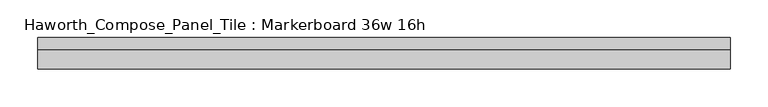
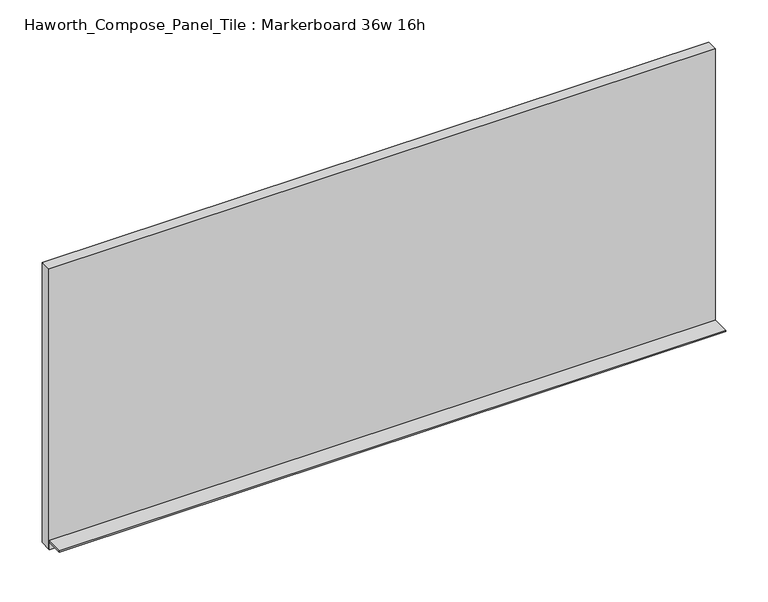
"""IFC4 building model written with IfcOpenShell, lengths in millimetres: furniture geometry, Haworth_Compose_Panel_Tile : Markerboard 36w 16h."""

import ifcopenshell
import ifcopenshell.guid

model = None  # the IFC model being written
_history = None  # IfcOwnerHistory: only IFC2X3 demands one
_inside = {}  # id of a spatial element -> (the spatial element, [elements in it])
_under = {}  # id of a project, library or spatial element -> (it, [spatial elements below it])
_declared = {}  # id of a project -> (the project, [libraries it declares])
_typed = {}  # id of a type object -> (the type object, [elements of that type])
_made_of = {}  # id of a material, layer set ... -> (it, [elements and type objects made of it])


def new_model(schema):
    """Start an empty IFC model of exactly this schema.

    Asked for "IFC4X3", IfcOpenShell would pick the latest addendum, in which some entities
    have other attributes; the version numbers below select the first issue.
    IFC2X3 requires an IfcOwnerHistory on every rooted entity: one is made here for all.
    """
    global model, _history
    if schema == "IFC4X3":
        model = ifcopenshell.file(schema_version=(4, 3, 0, 0))
    else:
        model = ifcopenshell.file(schema=schema)
    _inside.clear()
    _under.clear()
    _declared.clear()
    _typed.clear()
    _made_of.clear()
    _history = None
    if model.schema == "IFC2X3":
        org = make("IfcOrganization", Name="unknown")
        user = make(
            "IfcPersonAndOrganization",
            ThePerson=make("IfcPerson", FamilyName="unknown"),
            TheOrganization=org,
        )
        app = make(
            "IfcApplication",
            ApplicationDeveloper=org,
            Version="unknown",
            ApplicationFullName="unknown",
            ApplicationIdentifier="unknown",
        )
        _history = make(
            "IfcOwnerHistory",
            OwningUser=user,
            OwningApplication=app,
            ChangeAction="ADDED",
            CreationDate=0,
        )
    return model


def make(cls, **values):
    """One entity of the class cls with the attributes given. An attribute that is None is left unset."""
    return model.create_entity(
        cls, **{name: value for name, value in values.items() if value is not None}
    )


def rooted(cls, **values):
    """An entity with a GlobalId (a new one), such as an element, a storey or a relation."""
    return make(cls, GlobalId=ifcopenshell.guid.new(), OwnerHistory=_history, **values)


def si_unit(unit_type, name, prefix=None):
    """IfcSIUnit, for example si_unit("LENGTHUNIT", "METRE", prefix="MILLI")."""
    return make("IfcSIUnit", UnitType=unit_type, Prefix=prefix, Name=name)


def assignment(units):
    """IfcUnitAssignment: the units of a project."""
    return None if units is None else make("IfcUnitAssignment", Units=units)


def point(xyz):
    """IfcCartesianPoint."""
    return None if xyz is None else make("IfcCartesianPoint", Coordinates=xyz)


def direction(xyz):
    """IfcDirection."""
    return None if xyz is None else make("IfcDirection", DirectionRatios=xyz)


def frame(location, z_axis=None, x_axis=None):
    """IfcAxis2Placement3D, a coordinate frame: its origin and axes. An axis left out is left unset."""
    return make(
        "IfcAxis2Placement3D",
        Location=point(location),
        Axis=direction(z_axis),
        RefDirection=direction(x_axis),
    )


def origin():
    """The frame at (0, 0, 0) with its axes left unset."""
    return frame((0.0, 0.0, 0.0))


def place(relative_to, where):
    """IfcLocalPlacement: puts the frame where relative to a parent placement (None: the world)."""
    return make(
        "IfcLocalPlacement", PlacementRelTo=relative_to, RelativePlacement=where
    )


def context(
    kind, dimensions, precision=None, world=None, true_north=None, identifier=None
):
    """IfcGeometricRepresentationContext, for example the 3D "Model" context."""
    return make(
        "IfcGeometricRepresentationContext",
        ContextIdentifier=identifier,
        ContextType=kind,
        CoordinateSpaceDimension=dimensions,
        Precision=precision,
        WorldCoordinateSystem=world,
        TrueNorth=true_north,
    )


def project(units=None, contexts=None):
    """IfcProject with its units and contexts."""
    return rooted(
        "IfcProject",
        Name="project",
        RepresentationContexts=contexts,
        UnitsInContext=assignment(units),
    )


def spatial(cls, under=None, at=None, **own):
    """A site, building, storey or space (cls), placed at a placement, below another one or the project."""
    s = rooted(cls, ObjectPlacement=at, **own)
    if under is not None:
        _under.setdefault(under.id(), (under, []))[1].append(s)
    return s


def polyline(points):
    """IfcPolyline through the points."""
    return make("IfcPolyline", Points=[point(p) for p in points])


def outline(outer, holes=None, kind="AREA"):
    """IfcArbitraryClosedProfileDef: a profile drawn as a closed curve; with holes, ...WithVoids."""
    if holes is None:
        return make("IfcArbitraryClosedProfileDef", ProfileType=kind, OuterCurve=outer)
    return make(
        "IfcArbitraryProfileDefWithVoids",
        ProfileType=kind,
        OuterCurve=outer,
        InnerCurves=holes,
    )


def extrude(swept, where, along, depth):
    """IfcExtrudedAreaSolid: the profile swept, set in the frame where, extruded along a direction by depth."""
    return make(
        "IfcExtrudedAreaSolid",
        SweptArea=swept,
        Position=where,
        ExtrudedDirection=direction(along),
        Depth=depth,
    )


def shape(context_of_items, identifier, shape_type, items):
    """IfcShapeRepresentation: the items that make up one representation, for example the "Body"."""
    return make(
        "IfcShapeRepresentation",
        ContextOfItems=context_of_items,
        RepresentationIdentifier=identifier,
        RepresentationType=shape_type,
        Items=items,
    )


def source(mapping_origin, context_of_items, identifier, shape_type, items):
    """IfcRepresentationMap: a shape defined once, which mapped items show again and again."""
    return make(
        "IfcRepresentationMap",
        MappingOrigin=mapping_origin,
        MappedRepresentation=shape(context_of_items, identifier, shape_type, items),
    )


def transform(
    local_origin,
    x_axis=None,
    y_axis=None,
    z_axis=None,
    scale=None,
    scale2=None,
    scale3=None,
    uniform=True,
):
    """IfcCartesianTransformationOperator3D, or its non-uniform kind. x_axis, y_axis, z_axis: its Axis1, 2, 3."""
    if uniform:
        return make(
            "IfcCartesianTransformationOperator3D",
            Axis1=direction(x_axis),
            Axis2=direction(y_axis),
            LocalOrigin=point(local_origin),
            Scale=scale,
            Axis3=direction(z_axis),
        )
    return make(
        "IfcCartesianTransformationOperator3DnonUniform",
        Axis1=direction(x_axis),
        Axis2=direction(y_axis),
        LocalOrigin=point(local_origin),
        Scale=scale,
        Axis3=direction(z_axis),
        Scale2=scale2,
        Scale3=scale3,
    )


def mapped(mapping_source, mapping_target):
    """IfcMappedItem: shows the shape of a source again, moved by a transform."""
    return make(
        "IfcMappedItem", MappingSource=mapping_source, MappingTarget=mapping_target
    )


def made_of(thing, what):
    """Note that an element or type object is made of a material, layer set ...; save() writes the relation."""
    if what is not None:
        _made_of.setdefault(what.id(), (what, []))[1].append(thing)
    return thing


def element(
    cls,
    number,
    at=None,
    inside=None,
    cuts=None,
    type_object=None,
    material=None,
    context=None,
    identifier="Body",
    shape_type=None,
    held_by="IfcProductDefinitionShape",
    body=None,
    shapes=None,
    **own,
):
    """One element of the class cls, such as IfcWall. Its Tag is "e" and its number.

    at: its placement. inside: the storey or other place that contains it. cuts: it is an
    opening in that element (IfcRelVoidsElement). A single representation is given by context,
    identifier, shape_type and body (its items); several are given by shapes. held_by: the class
    of the entity that holds the representations. save() writes the other relations.
    """
    e = rooted(cls, Tag="e%d" % number, ObjectPlacement=at, **own)
    if body is not None:
        shapes = [shape(context, identifier, shape_type, body)]
    if shapes is not None:
        e.Representation = make(held_by, Representations=shapes)
    if inside is not None:
        _inside.setdefault(inside.id(), (inside, []))[1].append(e)
    if cuts is not None:
        rooted(
            "IfcRelVoidsElement", RelatingBuildingElement=cuts, RelatedOpeningElement=e
        )
    if type_object is not None:
        _typed.setdefault(type_object.id(), (type_object, []))[1].append(e)
    return made_of(e, material)


def aggregate(whole, parts):
    """IfcRelAggregates: a whole, such as a stair, and the parts it consists of."""
    return rooted("IfcRelAggregates", RelatingObject=whole, RelatedObjects=parts)


def save(model, path):
    """Write the relations noted so far, then the file.

    IfcRelAggregates (storeys below a building ...), IfcRelContainedInSpatialStructure (elements
    in a storey), IfcRelDefinesByType, IfcRelAssociatesMaterial and IfcRelDeclares: one each for
    every whole, place, type object, material and project.
    """
    for whole, parts in _under.values():
        aggregate(whole, parts)
    for where, things in _inside.values():
        rooted(
            "IfcRelContainedInSpatialStructure",
            RelatedElements=things,
            RelatingStructure=where,
        )
    for kind, things in _typed.values():
        rooted("IfcRelDefinesByType", RelatedObjects=things, RelatingType=kind)
    for what, things in _made_of.values():
        rooted("IfcRelAssociatesMaterial", RelatedObjects=things, RelatingMaterial=what)
    for by, libraries in _declared.values():
        rooted("IfcRelDeclares", RelatingContext=by, RelatedDefinitions=libraries)
    model.write(path)


def haworth_compose_panel_tile_markerboard_36w_16h_7ea006e8(model_context):
    return source(origin(), model_context, "Body", "SweptSolid", [
        extrude(outline(polyline([(459.6402902, -28.8968594), (-454.7597098, -28.8968594), (-454.7597098, -13.0218594), (459.6402902, -13.0218594), (459.6402902, -28.8968594)])), frame((0.0, 0.0, 1066.8), z_axis=(0.0, 0.0, 1.0), x_axis=(1.0, 0.0, 0.0)), (0.0, 0.0, 1.0), 406.4),
        extrude(outline(polyline([(-28.8968594, 1079.5), (-28.8968594, 1066.8), (-30.4843594, 1066.8), (-30.4843594, 1077.9125), (-54.2968594, 1077.9125), (-54.2968594, 1079.5), (-28.8968594, 1079.5)])), frame((-454.7597098, 0.0, 0.0), z_axis=(1.0, 0.0, 0.0), x_axis=(0.0, 1.0, 0.0)), (0.0, 0.0, 1.0), 914.4),
    ])


if __name__ == "__main__":
    model = new_model("IFC4")
    model_context = context("Model", 3, world=origin())
    ifc_project = project(units=[si_unit("LENGTHUNIT", "METRE", prefix="MILLI")], contexts=[model_context])
    site = spatial("IfcSite", under=ifc_project)
    building = spatial("IfcBuilding", under=site)
    placement = place(None, origin())
    haworth_compose_panel_tile_markerboard_36w_16h_shape = haworth_compose_panel_tile_markerboard_36w_16h_7ea006e8(model_context)
    element("IfcFurniture", 1, ObjectType="Haworth_Compose_Panel_Tile : Markerboard 36w 16h", at=placement, inside=building, context=model_context, shape_type="MappedRepresentation", body=[
        mapped(haworth_compose_panel_tile_markerboard_36w_16h_shape, transform((0.0, 0.0, 0.0), x_axis=(1.0, 0.0, 0.0), y_axis=(0.0, 1.0, 0.0), z_axis=(0.0, 0.0, 1.0))),
    ])
    save(model, "model.ifc")
